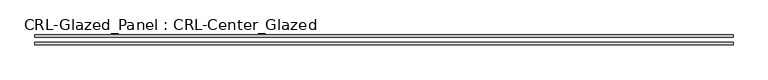
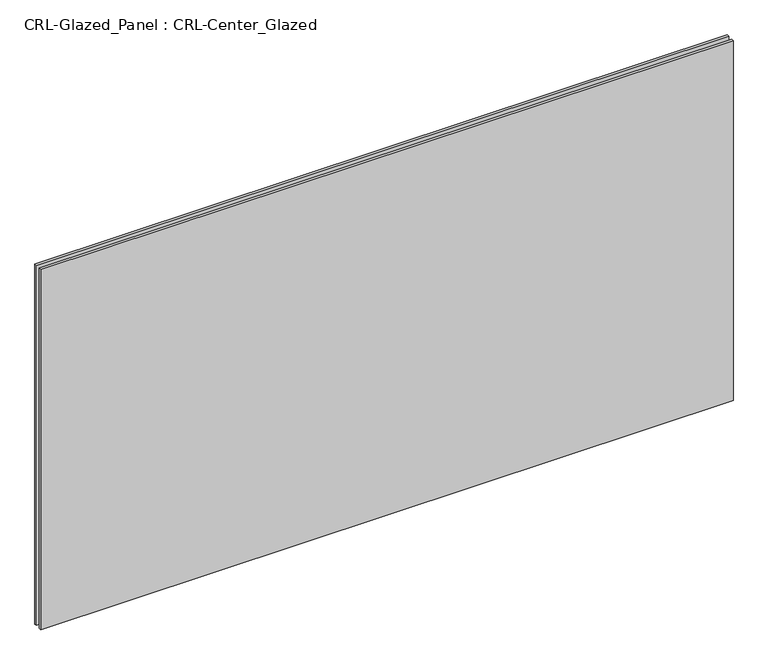
"""IFC4 building model written with IfcOpenShell, lengths in millimetres: plate geometry, CRL-Glazed_Panel : CRL-Center_Glazed."""

from ifc_helpers import new_model, si_unit, origin, origin_with_axes, place, context, project, spatial, polyline, outline, extrude, source, transform, mapped, element, save


def crl_glazed_panel_crl_center_glazed_a3b33708(model_context):
    return source(origin(), model_context, "Body", "SweptSolid", [
        extrude(outline(polyline([(887.4125, -12.7), (-887.4125, -12.7), (-887.4125, -6.35), (887.4125, -6.35), (887.4125, -12.7)])), origin_with_axes(), (0.0, 0.0, 1.0), 976.3125),
        extrude(outline(polyline([(-887.4125, 6.35), (-887.4125, 12.7), (887.4125, 12.7), (887.4125, 6.35), (-887.4125, 6.35)])), origin_with_axes(), (0.0, 0.0, 1.0), 976.3125),
    ])


if __name__ == "__main__":
    model = new_model("IFC4")
    model_context = context("Model", 3, world=origin())
    ifc_project = project(units=[si_unit("LENGTHUNIT", "METRE", prefix="MILLI")], contexts=[model_context])
    site = spatial("IfcSite", under=ifc_project)
    building = spatial("IfcBuilding", under=site)
    placement = place(None, origin())
    crl_glazed_panel_crl_center_glazed_shape = crl_glazed_panel_crl_center_glazed_a3b33708(model_context)
    element("IfcPlate", 1, ObjectType="CRL-Glazed_Panel : CRL-Center_Glazed", at=placement, inside=building, context=model_context, shape_type="MappedRepresentation", body=[
        mapped(crl_glazed_panel_crl_center_glazed_shape, transform((0.0, 0.0, 0.0), x_axis=(1.0, 0.0, 0.0), y_axis=(0.0, 1.0, 0.0), z_axis=(0.0, 0.0, 1.0))),
    ])
    save(model, "model.ifc")
